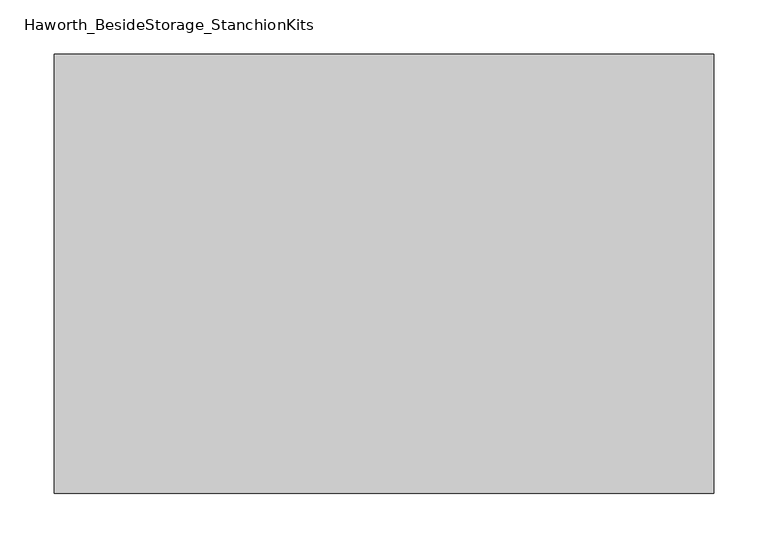
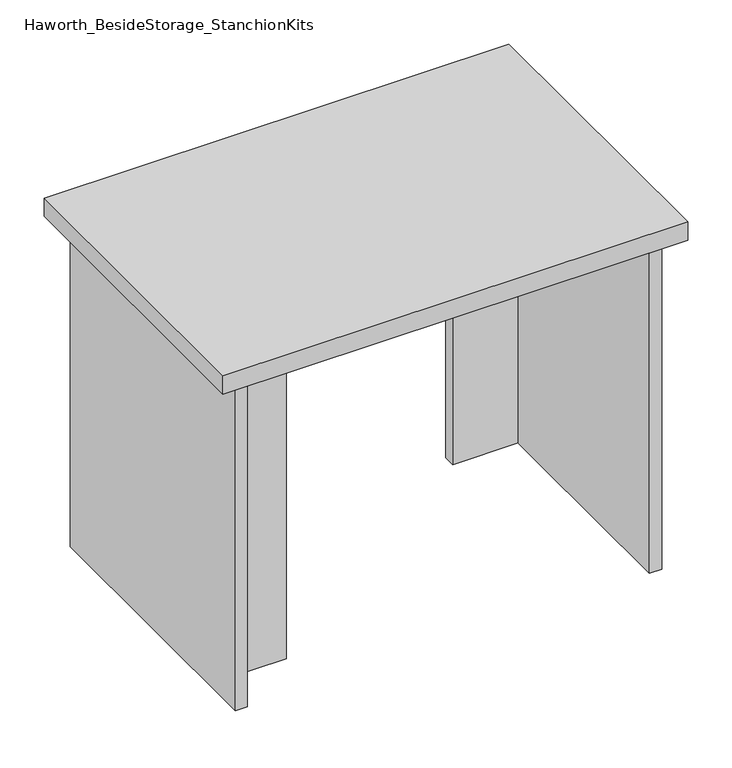
"""IFC4 building model written with IfcOpenShell, lengths in millimetres: furniture geometry, Haworth_BesideStorage_StanchionKits."""

from ifc_helpers import new_model, si_unit, frame, origin, place, context, project, spatial, polyline, outline, extrude, source, transform, mapped, element, save


def haworth_besidestorage_stanchionkits_63e41b53(model_context):
    return source(origin(), model_context, "Body", "SweptSolid", [
        extrude(outline(polyline([(466.725, 0.0), (466.725, -406.4), (-142.875, -406.4), (-142.875, 0.0), (466.725, 0.0)])), frame((0.0, 0.0, 889.0), z_axis=(0.0, 0.0, 1.0), x_axis=(1.0, 0.0, 0.0)), (0.0, 0.0, 1.0), 25.4),
        extrude(outline(polyline([(339.725, -76.2), (425.45, -76.2), (425.45, -92.075), (339.725, -92.075), (339.725, -76.2)])), frame((0.0, 0.0, 431.8), z_axis=(0.0, 0.0, 1.0), x_axis=(1.0, 0.0, 0.0)), (0.0, 0.0, 1.0), 457.2),
        extrude(outline(polyline([(-15.875, -314.325), (-15.875, -330.2), (-101.6, -330.2), (-101.6, -314.325), (-15.875, -314.325)])), frame((0.0, 0.0, 431.8), z_axis=(0.0, 0.0, 1.0), x_axis=(1.0, 0.0, 0.0)), (0.0, 0.0, 1.0), 457.2),
        extrude(outline(polyline([(441.325, -390.525), (425.45, -390.525), (425.45, -15.875), (441.325, -15.875), (441.325, -390.525)])), frame((0.0, 0.0, 431.8), z_axis=(0.0, 0.0, 1.0), x_axis=(1.0, 0.0, 0.0)), (0.0, 0.0, 1.0), 457.2),
        extrude(outline(polyline([(-101.6, -390.525), (-117.475, -390.525), (-117.475, -15.875), (-101.6, -15.875), (-101.6, -390.525)])), frame((0.0, 0.0, 431.8), z_axis=(0.0, 0.0, 1.0), x_axis=(1.0, 0.0, 0.0)), (0.0, 0.0, 1.0), 457.2),
    ])


if __name__ == "__main__":
    model = new_model("IFC4")
    model_context = context("Model", 3, world=origin())
    ifc_project = project(units=[si_unit("LENGTHUNIT", "METRE", prefix="MILLI")], contexts=[model_context])
    site = spatial("IfcSite", under=ifc_project)
    building = spatial("IfcBuilding", under=site)
    placement = place(None, origin())
    haworth_besidestorage_stanchionkits_shape = haworth_besidestorage_stanchionkits_63e41b53(model_context)
    element("IfcFurniture", 1, ObjectType="Haworth_BesideStorage_StanchionKits", at=placement, inside=building, context=model_context, shape_type="MappedRepresentation", body=[
        mapped(haworth_besidestorage_stanchionkits_shape, transform((0.0, 0.0, 0.0), x_axis=(1.0, 0.0, 0.0), y_axis=(0.0, 1.0, 0.0), z_axis=(0.0, 0.0, 1.0))),
    ])
    save(model, "model.ifc")
